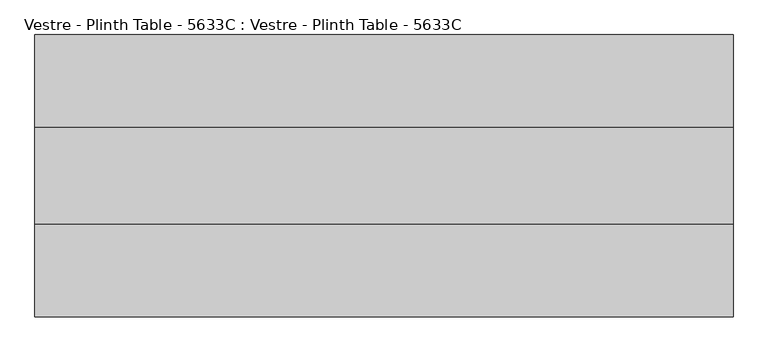
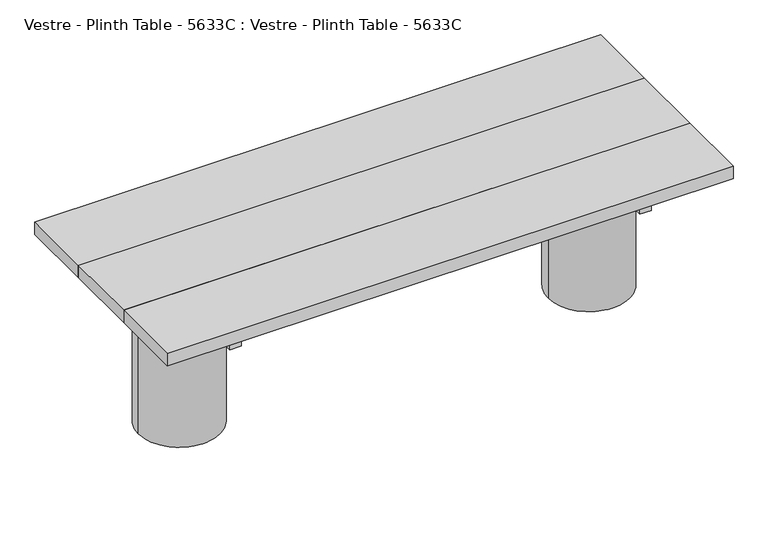
"""IFC4 building model written with IfcOpenShell, lengths in millimetres: furniture geometry, Vestre - Plinth Table - 5633C : Vestre - Plinth Table - 5633C."""

from ifc_helpers import new_model, si_unit, frame, origin, place, context, project, spatial, polyline, circle_curve, outline, extrude, source, transform, mapped, element, save
from ifc_brep_helpers import plane_surface, cylinder_surface, advanced_brep


def vestre_plinth_table_5633c_vestre_plinth_table_5633c_94c64c06(model_context):
    return source(origin(), model_context, "Body", "SolidModel", [
        extrude(outline(polyline([(565.4994536, -483.0002308), (535.4811401, -483.0002308), (535.4811401, 43.000233), (565.4994536, 43.000233), (565.4994536, -483.0002308)])), frame((0.0, 0.0, 364.9999847), z_axis=(0.0, 0.0, 1.0), x_axis=(1.0, 0.0, 0.0)), (0.0, 0.0, 1.0), 50.0),
        extrude(outline(polyline([(760.0005464, -114.9999989), (760.0005464, -324.9999989), (-760.0005464, -324.9999989), (-760.0005464, -114.9999989), (760.0005464, -114.9999989)])), frame((0.0, 0.0, 414.9999847), z_axis=(0.0, 0.0, 1.0), x_axis=(1.0, 0.0, 0.0)), (0.0, 0.0, 1.0), 35.0000153),
        extrude(outline(polyline([(538.5005464, -202.4998463), (538.5005464, -237.5001515), (-538.5005464, -237.5001515), (-538.5005464, -202.4998463), (538.5005464, -202.4998463)])), frame((0.0, 0.0, 274.9999847), z_axis=(0.0, 0.0, 1.0), x_axis=(1.0, 0.0, 0.0)), (0.0, 0.0, 1.0), 90.0),
        extrude(outline(polyline([(760.0005464, 87.500233), (760.0005464, -114.9999989), (-760.0005464, -114.9999989), (-760.0005464, 87.500233), (760.0005464, 87.500233)])), frame((0.0, 0.0, 414.9999847), z_axis=(0.0, 0.0, 1.0), x_axis=(1.0, 0.0, 0.0)), (0.0, 0.0, 1.0), 35.0000153),
        extrude(outline(polyline([(760.0005464, -324.9999989), (760.0005464, -527.5002308), (-760.0005464, -527.5002308), (-760.0005464, -324.9999989), (760.0005464, -324.9999989)])), frame((0.0, 0.0, 414.9999847), z_axis=(0.0, 0.0, 1.0), x_axis=(1.0, 0.0, 0.0)), (0.0, 0.0, 1.0), 35.0000153),
        extrude(outline(polyline([(-535.4811401, -483.0002308), (-565.4994536, -483.0002308), (-565.4994536, 43.000233), (-535.4811401, 43.000233), (-535.4811401, -483.0002308)])), frame((0.0, 0.0, 364.9999847), z_axis=(0.0, 0.0, 1.0), x_axis=(1.0, 0.0, 0.0)), (0.0, 0.0, 1.0), 50.0),
        advanced_brep(
        [(-660.0830351, -219.9999989, 364.9999847), (-442.3211565, -237.5001515, 364.9999847), (-538.5005464, -237.5001515, 364.9999847), (-538.5005464, -202.4998463, 364.9999847), (-442.3211565, -202.4998463, 364.9999847), (-660.0830351, -219.9999989, 0.0), (-440.9147793, -219.9999989, 0.0), (-440.9147793, -219.9999989, 274.9999847), (-442.3211565, -237.5001515, 274.9999847), (-442.3211565, -202.4998463, 274.9999847), (-538.5005464, -237.5001515, 274.9999847), (-538.5005464, -202.4998463, 274.9999847)],
        [
            (0, 1, circle_curve(frame((-550.4989072, -219.9999989, 364.9999847), z_axis=(0.0, 0.0, 1.0), x_axis=(1.0, 0.0, 0.0)), 109.5841279)),
            (1, 2),
            (2, 3),
            (3, 4),
            (4, 0, circle_curve(frame((-550.4989072, -219.9999989, 364.9999847), z_axis=(0.0, 0.0, 1.0), x_axis=(1.0, 0.0, 0.0)), 109.5841279)),
            (5, 6, circle_curve(frame((-550.4989072, -219.9999989, 0.0), z_axis=(0.0, 0.0, -1.0), x_axis=(1.0, 0.0, 0.0)), 109.5841279)),
            (6, 5, circle_curve(frame((-550.4989072, -219.9999989, 0.0), z_axis=(0.0, 0.0, -1.0), x_axis=(1.0, 0.0, 0.0)), 109.5841279)),
            (6, 7),
            (7, 8, circle_curve(frame((-550.4989072, -219.9999989, 274.9999847), z_axis=(0.0, 0.0, -1.0), x_axis=(1.0, 0.0, 0.0)), 109.5841279)),
            (8, 1),
            (0, 5),
            (4, 9),
            (9, 7, circle_curve(frame((-550.4989072, -219.9999989, 274.9999847), z_axis=(0.0, 0.0, -1.0), x_axis=(1.0, 0.0, 0.0)), 109.5841279)),
            (10, 11),
            (11, 3),
            (2, 10),
            (10, 8),
            (9, 11),
        ],
        [
            plane_surface(frame((-440.9147793, -219.9999989, 364.9999847), z_axis=(0.0, 0.0, 1.0), x_axis=(0.0, 1.0, 0.0))),
            plane_surface(frame((-440.9147793, -219.9999989, 0.0), z_axis=(0.0, 0.0, -1.0), x_axis=(0.0, -1.0, 0.0))),
            cylinder_surface(frame((-550.4989072, -219.9999989, 0.0), z_axis=(0.0, 0.0, 1.0), x_axis=(1.0, 0.0, 0.0)), 109.5841279),
            plane_surface(frame((-538.5005464, -202.4998463, 274.9999847), z_axis=(1.0, 0.0, 0.0), x_axis=(0.0, -1.0, 0.0))),
            plane_surface(frame((-420.0, -237.5001515, 274.9999847), z_axis=(0.0, 0.0, 1.0), x_axis=(-1.0, 0.0, 0.0))),
            plane_surface(frame((-420.0, -202.4998463, 274.9999847), z_axis=(0.0, -1.0, 0.0), x_axis=(-1.0, 0.0, 0.0))),
            plane_surface(frame((-420.0, -237.5001515, 364.9999847), z_axis=(0.0, 1.0, 0.0), x_axis=(-1.0, 0.0, 0.0))),
        ],
        [
            (0, [[1, 2, 3, 4, 5]]),
            (1, [[6, 7]]),
            (2, [[-7, 8, 9, 10, -1, 11]]),
            (2, [[-6, -11, -5, 12, 13, -8]]),
            (3, [[14, 15, -3, 16]]),
            (4, [[-14, 17, -9, -13, 18]]),
            (5, [[-15, -18, -12, -4]]),
            (6, [[-16, -2, -10, -17]]),
        ],
    ),
        advanced_brep(
        [(660.0830351, -219.9999989, 364.9999847), (442.3211565, -202.4998463, 364.9999847), (538.5005464, -202.4998463, 364.9999847), (538.5005464, -237.5001515, 364.9999847), (442.3211565, -237.5001515, 364.9999847), (660.0830351, -219.9999989, 0.0), (440.9147793, -219.9999989, 0.0), (442.3211565, -237.5001515, 274.9999847), (440.9147793, -219.9999989, 274.9999847), (442.3211565, -202.4998463, 274.9999847), (538.5005464, -237.5001515, 274.9999847), (538.5005464, -202.4998463, 274.9999847)],
        [
            (0, 1, circle_curve(frame((550.4989072, -219.9999989, 364.9999847), z_axis=(0.0, 0.0, 1.0), x_axis=(-1.0, 0.0, 0.0)), 109.5841279)),
            (1, 2),
            (2, 3),
            (3, 4),
            (4, 0, circle_curve(frame((550.4989072, -219.9999989, 364.9999847), z_axis=(0.0, 0.0, 1.0), x_axis=(-1.0, 0.0, 0.0)), 109.5841279)),
            (5, 6, circle_curve(frame((550.4989072, -219.9999989, 0.0), z_axis=(0.0, 0.0, -1.0), x_axis=(-1.0, 0.0, 0.0)), 109.5841279)),
            (6, 5, circle_curve(frame((550.4989072, -219.9999989, 0.0), z_axis=(0.0, 0.0, -1.0), x_axis=(-1.0, 0.0, 0.0)), 109.5841279)),
            (5, 0),
            (4, 7),
            (7, 8, circle_curve(frame((550.4989072, -219.9999989, 274.9999847), z_axis=(0.0, 0.0, -1.0), x_axis=(-1.0, 0.0, 0.0)), 109.5841279)),
            (8, 6),
            (8, 9, circle_curve(frame((550.4989072, -219.9999989, 274.9999847), z_axis=(0.0, 0.0, -1.0), x_axis=(-1.0, 0.0, 0.0)), 109.5841279)),
            (9, 1),
            (10, 3),
            (2, 11),
            (11, 10),
            (11, 9),
            (7, 10),
        ],
        [
            plane_surface(frame((440.9147793, -219.9999989, 364.9999847), z_axis=(0.0, 0.0, 1.0), x_axis=(0.0, -1.0, 0.0))),
            plane_surface(frame((440.9147793, -219.9999989, 0.0), z_axis=(0.0, 0.0, -1.0), x_axis=(0.0, 1.0, 0.0))),
            cylinder_surface(frame((550.4989072, -219.9999989, 0.0), z_axis=(0.0, 0.0, 1.0), x_axis=(-1.0, 0.0, 0.0)), 109.5841279),
            plane_surface(frame((538.5005464, -237.5001515, 274.9999847), z_axis=(-1.0, 0.0, 0.0), x_axis=(0.0, 0.0, -1.0))),
            plane_surface(frame((420.0, -202.4998463, 274.9999847), z_axis=(0.0, 0.0, 1.0), x_axis=(1.0, 0.0, 0.0))),
            plane_surface(frame((420.0, -202.4998463, 364.9999847), z_axis=(0.0, -1.0, 0.0), x_axis=(1.0, 0.0, 0.0))),
            plane_surface(frame((420.0, -237.5001515, 274.9999847), z_axis=(0.0, 1.0, 0.0), x_axis=(1.0, 0.0, 0.0))),
        ],
        [
            (0, [[1, 2, 3, 4, 5]]),
            (1, [[6, 7]]),
            (2, [[-6, 8, -5, 9, 10, 11]]),
            (2, [[-7, -11, 12, 13, -1, -8]]),
            (3, [[14, -3, 15, 16]]),
            (4, [[-16, 17, -12, -10, 18]]),
            (5, [[-15, -2, -13, -17]]),
            (6, [[-14, -18, -9, -4]]),
        ],
    ),
    ])


if __name__ == "__main__":
    model = new_model("IFC4")
    model_context = context("Model", 3, world=origin())
    ifc_project = project(units=[si_unit("LENGTHUNIT", "METRE", prefix="MILLI")], contexts=[model_context])
    site = spatial("IfcSite", under=ifc_project)
    building = spatial("IfcBuilding", under=site)
    placement = place(None, origin())
    vestre_plinth_table_5633c_vestre_plinth_table_5633c_shape = vestre_plinth_table_5633c_vestre_plinth_table_5633c_94c64c06(model_context)
    element("IfcFurniture", 1, ObjectType="Vestre - Plinth Table - 5633C : Vestre - Plinth Table - 5633C", at=placement, inside=building, context=model_context, shape_type="MappedRepresentation", body=[
        mapped(vestre_plinth_table_5633c_vestre_plinth_table_5633c_shape, transform((0.0, 0.0, 0.0), x_axis=(1.0, 0.0, 0.0), y_axis=(0.0, 1.0, 0.0), z_axis=(0.0, 0.0, 1.0))),
    ])
    save(model, "model.ifc")
